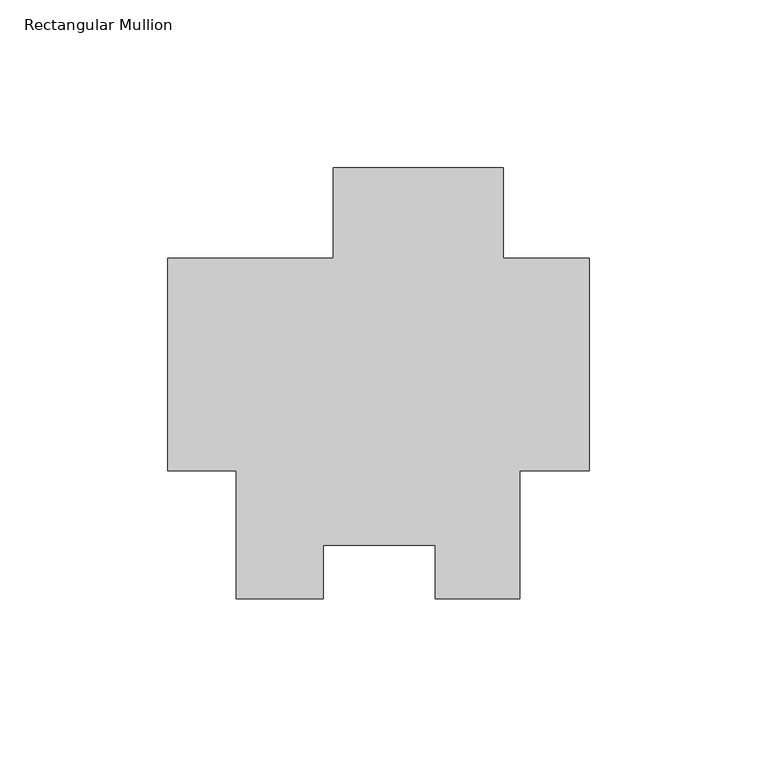
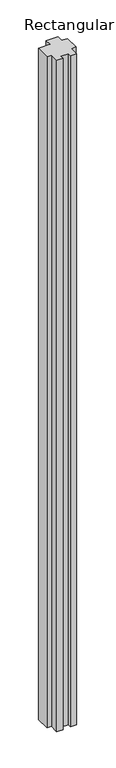
"""IFC4 building model written with IfcOpenShell, lengths in millimetres: member geometry, Rectangular Mullion."""

from ifc_helpers import new_model, si_unit, frame, origin, place, context, project, spatial, polyline, outline, extrude, source, transform, mapped, element, save


def rectangular_mullion_85e1cf90(model_context):
    return source(origin(), model_context, "Body", "SweptSolid", [
        extrude(outline(polyline([(-25.577927, 42.05605), (-25.577927, 15.08125), (0.0, 15.08125), (0.0, -48.41875), (-20.6735973, -48.41875), (-20.6735973, -86.51875), (-45.9670891, -86.51875), (-45.9670891, -70.6312251), (-79.3689318, -70.6312251), (-79.3689318, -86.5419534), (-105.2447888, -86.5419534), (-105.2447888, -48.41875), (-125.7808, -48.41875), (-125.7808, 15.08125), (-76.377927, 15.08125), (-76.377927, 42.05605), (-25.577927, 42.05605)])), frame((0.0, 0.0, -3048.0), z_axis=(0.0, 0.0, 1.0), x_axis=(1.0, 0.0, 0.0)), (0.0, 0.0, 1.0), 3048.0),
    ])


if __name__ == "__main__":
    model = new_model("IFC4")
    model_context = context("Model", 3, world=origin())
    ifc_project = project(units=[si_unit("LENGTHUNIT", "METRE", prefix="MILLI")], contexts=[model_context])
    site = spatial("IfcSite", under=ifc_project)
    building = spatial("IfcBuilding", under=site)
    placement = place(None, origin())
    rectangular_mullion_shape = rectangular_mullion_85e1cf90(model_context)
    element("IfcMember", 1, ObjectType="Rectangular Mullion", at=placement, inside=building, context=model_context, shape_type="MappedRepresentation", body=[
        mapped(rectangular_mullion_shape, transform((0.0, 0.0, 0.0), x_axis=(1.0, 0.0, 0.0), y_axis=(0.0, 1.0, 0.0), z_axis=(0.0, 0.0, 1.0))),
    ])
    save(model, "model.ifc")
